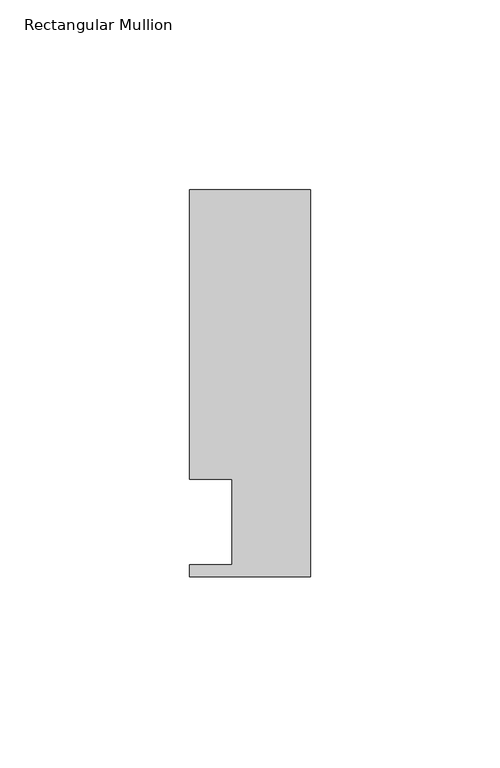
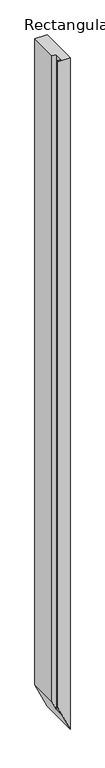
"""IFC4 building model written with IfcOpenShell, lengths in millimetres: member geometry, Rectangular Mullion."""

from ifc_helpers import new_model, si_unit, origin, place, context, project, spatial, faceted_brep, source, transform, mapped, element, save


def rectangular_mullion_a6319a89(model_context):
    return source(origin(), model_context, "Body", "Brep", [
        faceted_brep([(-31.7484832, 12.6444375, 0.0), (0.0, 12.6444375, 0.0), (0.0, 114.4984375, 0.0), (-31.7484832, 114.4984375, 0.0), (-31.7484832, 38.2984375, 0.0), (-20.6375, 38.2984375, 0.0), (-20.6375, 15.8194375, 0.0), (-31.7484832, 15.8194375, 0.0), (-31.7484832, 12.6444375, -1759.3057116), (0.0, 12.6444375, -1828.8), (0.0, 114.4984375, -1828.8), (-31.7484832, 114.4984375, -1759.3057116), (-31.7484832, 38.2984375, -1759.3057116), (-20.6375, 38.2984375, -1783.6265544), (-20.6375, 15.8194375, -1783.6265544), (-31.7484832, 15.8194375, -1759.3057116)], [[[0, 1, 2, 3, 4, 5, 6, 7]], [[1, 0, 8, 9]], [[2, 1, 9, 10]], [[3, 2, 10, 11]], [[4, 3, 11, 12]], [[5, 4, 12, 13]], [[6, 5, 13, 14]], [[7, 6, 14, 15]], [[0, 7, 15, 8]], [[8, 15, 14, 13, 12, 11, 10, 9]]]),
    ])


if __name__ == "__main__":
    model = new_model("IFC4")
    model_context = context("Model", 3, world=origin())
    ifc_project = project(units=[si_unit("LENGTHUNIT", "METRE", prefix="MILLI")], contexts=[model_context])
    site = spatial("IfcSite", under=ifc_project)
    building = spatial("IfcBuilding", under=site)
    placement = place(None, origin())
    rectangular_mullion_shape = rectangular_mullion_a6319a89(model_context)
    element("IfcMember", 1, ObjectType="Rectangular Mullion", at=placement, inside=building, context=model_context, shape_type="MappedRepresentation", body=[
        mapped(rectangular_mullion_shape, transform((0.0, 0.0, 0.0), x_axis=(1.0, 0.0, 0.0), y_axis=(0.0, 1.0, 0.0), z_axis=(0.0, 0.0, 1.0))),
    ])
    save(model, "model.ifc")
